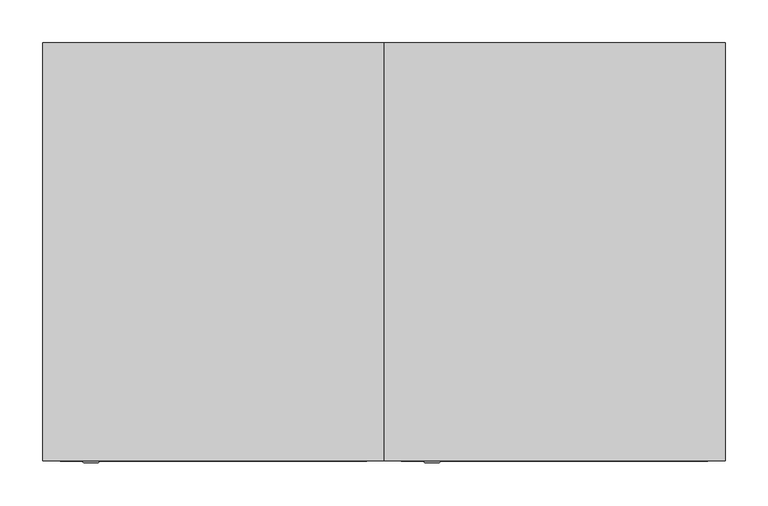
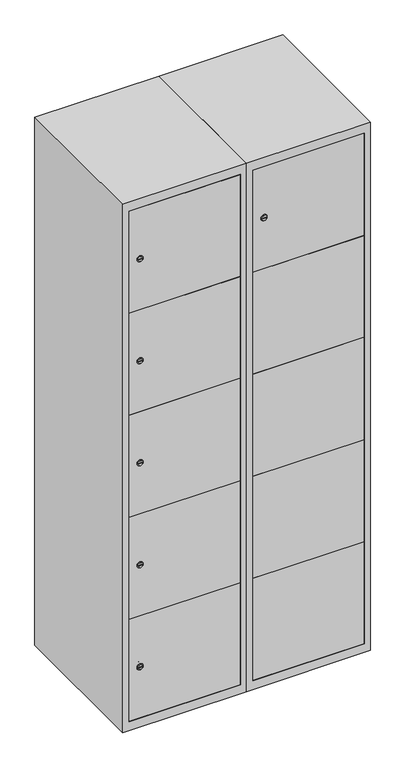
"""IFC4 building model written with IfcOpenShell, lengths in millimetres: furniture geometry."""

from ifc_helpers import new_model, si_unit, point, frame, frame_2d, origin, place, context, project, spatial, polyline, circle_curve, trimmed, segment, composite_curve, outline, extrude, faceted_brep, source, transform, mapped, element, save
from ifc_brep_helpers import plane_surface, revolved_surface, advanced_brep


def furniture_47b68984(model_context):
    return source(origin(), model_context, "Body", "SolidModel", [
        advanced_brep(
        [(264.9, -247.2, 1630.04), (247.9, -247.2, 1630.04), (251.4, -247.2, 1628.79), (251.4, -247.2, 1631.29), (261.4, -247.2, 1631.29), (261.4, -247.2, 1628.79), (266.9, -245.0, 1630.04), (245.9, -245.0, 1630.04), (251.4, -245.0, 1631.29), (251.4, -245.0, 1628.79), (261.4, -245.0, 1628.79), (261.4, -245.0, 1631.29)],
        [
            (0, 1, circle_curve(frame((256.4, -247.2, 1630.04), z_axis=(0.0, -1.0, 0.0), x_axis=(1.0, 0.0, 0.0)), 8.5)),
            (1, 0, circle_curve(frame((256.4, -247.2, 1630.04), z_axis=(0.0, -1.0, 0.0), x_axis=(-1.0, 0.0, 0.0)), 8.5)),
            (2, 3),
            (3, 4),
            (4, 5),
            (5, 2),
            (6, 7, circle_curve(frame((256.4, -245.0, 1630.04), z_axis=(0.0, 1.0, 0.0), x_axis=(-1.0, 0.0, 0.0)), 10.5)),
            (7, 6, circle_curve(frame((256.4, -245.0, 1630.04), z_axis=(0.0, 1.0, 0.0), x_axis=(1.0, 0.0, 0.0)), 10.5)),
            (8, 9),
            (9, 10),
            (10, 11),
            (11, 8),
            (0, 6),
            (7, 1),
            (8, 3),
            (2, 9),
            (11, 4),
            (10, 5),
        ],
        [
            plane_surface(frame((256.4, -247.2, 1630.04), z_axis=(0.0, -1.0, 0.0), x_axis=(0.0, 0.0, 1.0))),
            plane_surface(frame((256.4, -245.0, 1630.04), z_axis=(0.0, 1.0, 0.0), x_axis=(0.0, 0.0, 1.0))),
            revolved_surface(polyline([(264.9, -247.2, 1630.04), (266.9, -245.0, 1630.04)]), (256.4, -256.55, 1630.04), (0.0, 1.0, 0.0)),
            revolved_surface(polyline([(247.89999999999998, -247.2, 1630.04), (245.9, -245.0, 1630.04)]), (256.4, -256.55, 1630.04), (0.0, 1.0, 0.0)),
            plane_surface(frame((251.4, -245.0, 1628.79), z_axis=(1.0, 0.0, 0.0), x_axis=(0.0, -1.0, 0.0))),
            plane_surface(frame((251.4, -245.0, 1631.29), z_axis=(0.0, 0.0, -1.0), x_axis=(0.0, -1.0, 0.0))),
            plane_surface(frame((261.4, -245.0, 1631.29), z_axis=(-1.0, 0.0, 0.0), x_axis=(0.0, -1.0, 0.0))),
            plane_surface(frame((261.4, -245.0, 1628.79), z_axis=(0.0, 0.0, 1.0), x_axis=(0.0, -1.0, 0.0))),
        ],
        [
            (0, [[1, 2], [3, 4, 5, 6]]),
            (1, [[7, 8], [9, 10, 11, 12]]),
            (2, [[-1, 13, -8, 14]]),
            (3, [[-2, -14, -7, -13]]),
            (4, [[15, -3, 16, -9]]),
            (5, [[-15, -12, 17, -4]]),
            (6, [[-17, -11, 18, -5]]),
            (7, [[-16, -6, -18, -10]]),
        ],
    ),
        extrude(outline(polyline([(578.6, -227.0), (578.6, -245.0), (221.4, -245.0), (221.4, -227.0), (578.6, -227.0)])), frame((0.0, 0.0, 760.74), z_axis=(0.0, 0.0, 1.0), x_axis=(1.0, 0.0, 0.0)), (0.0, 0.0, 1.0), 348.52),
        extrude(outline(polyline([(578.6, -227.0), (578.6, -245.0), (221.4, -245.0), (221.4, -227.0), (578.6, -227.0)])), frame((0.0, 0.0, 413.22), z_axis=(0.0, 0.0, 1.0), x_axis=(1.0, 0.0, 0.0)), (0.0, 0.0, 1.0), 348.52),
        extrude(outline(polyline([(578.6, -227.0), (578.6, -245.0), (221.4, -245.0), (221.4, -227.0), (578.6, -227.0)])), frame((0.0, 0.0, 1108.26), z_axis=(0.0, 0.0, 1.0), x_axis=(1.0, 0.0, 0.0)), (0.0, 0.0, 1.0), 347.52),
        extrude(outline(polyline([(221.4, -245.0), (221.4, -227.0), (578.6, -227.0), (578.6, -245.0), (221.4, -245.0)])), frame((0.0, 0.0, 1456.78), z_axis=(0.0, 0.0, 1.0), x_axis=(1.0, 0.0, 0.0)), (0.0, 0.0, 1.0), 347.02),
        extrude(outline(polyline([(578.6, -227.0), (578.6, -245.0), (221.4, -245.0), (221.4, -227.0), (578.6, -227.0)])), frame((0.0, 0.0, 66.2), z_axis=(0.0, 0.0, 1.0), x_axis=(1.0, 0.0, 0.0)), (0.0, 0.0, 1.0), 348.02),
        extrude(outline(polyline([(579.6, 242.0), (579.6, -227.0), (220.4, -227.0), (220.4, 242.0), (579.6, 242.0)])), frame((0.0, 0.0, 1446.68), z_axis=(0.0, 0.0, 1.0), x_axis=(1.0, 0.0, 0.0)), (0.0, 0.0, 1.0), 20.4),
        extrude(outline(polyline([(579.6, 242.0), (579.6, -227.0), (220.4, -227.0), (220.4, 242.0), (579.6, 242.0)])), frame((0.0, 0.0, 1098.76), z_axis=(0.0, 0.0, 1.0), x_axis=(1.0, 0.0, 0.0)), (0.0, 0.0, 1.0), 20.4),
        extrude(outline(polyline([(579.6, 242.0), (579.6, -227.0), (220.4, -227.0), (220.4, 242.0), (579.6, 242.0)])), frame((0.0, 0.0, 750.84), z_axis=(0.0, 0.0, 1.0), x_axis=(1.0, 0.0, 0.0)), (0.0, 0.0, 1.0), 20.4),
        extrude(outline(polyline([(220.4, 242.0), (579.6, 242.0), (579.6, -227.0), (220.4, -227.0), (220.4, 242.0)])), frame((0.0, 0.0, 402.92), z_axis=(0.0, 0.0, 1.0), x_axis=(1.0, 0.0, 0.0)), (0.0, 0.0, 1.0), 20.4),
        faceted_brep([(600.0, -245.0, 35.0), (600.0, -245.0, 1835.0), (200.0, -245.0, 1835.0), (200.0, -245.0, 35.0), (579.6, -245.0, 1804.8), (579.6, -245.0, 65.2), (220.4, -245.0, 65.2), (220.4, -245.0, 1804.8), (600.0, 245.0, 35.0), (200.0, 245.0, 35.0), (600.0, 245.0, 1835.0), (200.0, 245.0, 1835.0), (579.6, 242.0, 1804.8), (579.6, 242.0, 65.2), (200.0, 245.0, 1804.8), (220.4, 242.0, 1804.8), (220.4, 242.0, 65.2)], [[[0, 1, 2, 3], [4, 5, 6, 7]], [[8, 0, 3, 9]], [[1, 0, 8, 10]], [[1, 10, 11, 2]], [[4, 12, 13, 5]], [[9, 3, 2, 11, 14]], [[10, 8, 9, 14, 11]], [[12, 15, 16, 13]], [[15, 7, 6, 16]], [[4, 7, 15, 12]], [[6, 5, 13, 16]]]),
        extrude(outline(composite_curve([segment(trimmed(circle_curve(frame_2d((239.96, -170.3989466)), 7.0), [point((246.96, -170.3989466))], [point((232.96, -170.3989466))], False, "CARTESIAN"), True, "CONTINUOUS"), segment(polyline([(232.96, -170.3989466), (232.96, -142.3989466)]), True, "CONTINUOUS"), segment(trimmed(circle_curve(frame_2d((239.96, -142.3989466)), 7.0), [point((232.96, -142.3989466))], [point((246.96, -142.3989466))], False, "CARTESIAN"), True, "CONTINUOUS"), segment(polyline([(246.96, -142.3989466), (246.96, -170.3989466)]), True, "CONTINUOUS")], self_intersect=False)), frame((0.0, -227.0, 0.0), z_axis=(0.0, 1.0, 0.0), x_axis=(0.0, 0.0, 1.0)), (0.0, 0.0, 1.0), 2.0),
        advanced_brep(
        [(-135.1, -247.2, 239.96), (-152.1, -247.2, 239.96), (-148.6, -247.2, 238.71), (-148.6, -247.2, 241.21), (-138.6, -247.2, 241.21), (-138.6, -247.2, 238.71), (-133.1, -245.0, 239.96), (-154.1, -245.0, 239.96), (-148.6, -245.0, 241.21), (-148.6, -245.0, 238.71), (-138.6, -245.0, 238.71), (-138.6, -245.0, 241.21)],
        [
            (0, 1, circle_curve(frame((-143.6, -247.2, 239.96), z_axis=(0.0, -1.0, 0.0), x_axis=(1.0, 0.0, 0.0)), 8.5)),
            (1, 0, circle_curve(frame((-143.6, -247.2, 239.96), z_axis=(0.0, -1.0, 0.0), x_axis=(-1.0, 0.0, 0.0)), 8.5)),
            (2, 3),
            (3, 4),
            (4, 5),
            (5, 2),
            (6, 7, circle_curve(frame((-143.6, -245.0, 239.96), z_axis=(0.0, 1.0, 0.0), x_axis=(-1.0, 0.0, 0.0)), 10.5)),
            (7, 6, circle_curve(frame((-143.6, -245.0, 239.96), z_axis=(0.0, 1.0, 0.0), x_axis=(1.0, 0.0, 0.0)), 10.5)),
            (8, 9),
            (9, 10),
            (10, 11),
            (11, 8),
            (0, 6),
            (7, 1),
            (8, 3),
            (2, 9),
            (11, 4),
            (10, 5),
        ],
        [
            plane_surface(frame((-143.6, -247.2, 239.96), z_axis=(0.0, -1.0, 0.0), x_axis=(0.0, 0.0, 1.0))),
            plane_surface(frame((-143.6, -245.0, 239.96), z_axis=(0.0, 1.0, 0.0), x_axis=(0.0, 0.0, 1.0))),
            revolved_surface(polyline([(-135.1, -247.2, 239.96), (-133.1, -245.0, 239.96)]), (-143.6, -256.55, 239.96), (0.0, 1.0, 0.0)),
            revolved_surface(polyline([(-152.1, -247.2, 239.96), (-154.1, -245.0, 239.96)]), (-143.6, -256.55, 239.96), (0.0, 1.0, 0.0)),
            plane_surface(frame((-148.6, -245.0, 238.71), z_axis=(1.0, 0.0, 0.0), x_axis=(0.0, -1.0, 0.0))),
            plane_surface(frame((-148.6, -245.0, 241.21), z_axis=(0.0, 0.0, -1.0), x_axis=(0.0, -1.0, 0.0))),
            plane_surface(frame((-138.6, -245.0, 241.21), z_axis=(-1.0, 0.0, 0.0), x_axis=(0.0, -1.0, 0.0))),
            plane_surface(frame((-138.6, -245.0, 238.71), z_axis=(0.0, 0.0, 1.0), x_axis=(0.0, -1.0, 0.0))),
        ],
        [
            (0, [[1, 2], [3, 4, 5, 6]]),
            (1, [[7, 8], [9, 10, 11, 12]]),
            (2, [[-1, 13, -8, 14]]),
            (3, [[-2, -14, -7, -13]]),
            (4, [[15, -3, 16, -9]]),
            (5, [[-15, -12, 17, -4]]),
            (6, [[-17, -11, 18, -5]]),
            (7, [[-16, -6, -18, -10]]),
        ],
    ),
        extrude(outline(composite_curve([segment(trimmed(circle_curve(frame_2d((587.48, -170.3989466)), 7.0), [point((594.48, -170.3989466))], [point((580.48, -170.3989466))], False, "CARTESIAN"), True, "CONTINUOUS"), segment(polyline([(580.48, -170.3989466), (580.48, -142.3989466)]), True, "CONTINUOUS"), segment(trimmed(circle_curve(frame_2d((587.48, -142.3989466)), 7.0), [point((580.48, -142.3989466))], [point((594.48, -142.3989466))], False, "CARTESIAN"), True, "CONTINUOUS"), segment(polyline([(594.48, -142.3989466), (594.48, -170.3989466)]), True, "CONTINUOUS")], self_intersect=False)), frame((0.0, -227.0, 0.0), z_axis=(0.0, 1.0, 0.0), x_axis=(0.0, 0.0, 1.0)), (0.0, 0.0, 1.0), 2.0),
        advanced_brep(
        [(-135.1, -247.2, 587.48), (-152.1, -247.2, 587.48), (-148.6, -247.2, 586.23), (-148.6, -247.2, 588.73), (-138.6, -247.2, 588.73), (-138.6, -247.2, 586.23), (-133.1, -245.0, 587.48), (-154.1, -245.0, 587.48), (-148.6, -245.0, 588.73), (-148.6, -245.0, 586.23), (-138.6, -245.0, 586.23), (-138.6, -245.0, 588.73)],
        [
            (0, 1, circle_curve(frame((-143.6, -247.2, 587.48), z_axis=(0.0, -1.0, 0.0), x_axis=(1.0, 0.0, 0.0)), 8.5)),
            (1, 0, circle_curve(frame((-143.6, -247.2, 587.48), z_axis=(0.0, -1.0, 0.0), x_axis=(-1.0, 0.0, 0.0)), 8.5)),
            (2, 3),
            (3, 4),
            (4, 5),
            (5, 2),
            (6, 7, circle_curve(frame((-143.6, -245.0, 587.48), z_axis=(0.0, 1.0, 0.0), x_axis=(-1.0, 0.0, 0.0)), 10.5)),
            (7, 6, circle_curve(frame((-143.6, -245.0, 587.48), z_axis=(0.0, 1.0, 0.0), x_axis=(1.0, 0.0, 0.0)), 10.5)),
            (8, 9),
            (9, 10),
            (10, 11),
            (11, 8),
            (0, 6),
            (7, 1),
            (8, 3),
            (2, 9),
            (11, 4),
            (10, 5),
        ],
        [
            plane_surface(frame((-143.6, -247.2, 587.48), z_axis=(0.0, -1.0, 0.0), x_axis=(0.0, 0.0, 1.0))),
            plane_surface(frame((-143.6, -245.0, 587.48), z_axis=(0.0, 1.0, 0.0), x_axis=(0.0, 0.0, 1.0))),
            revolved_surface(polyline([(-135.1, -247.2, 587.48), (-133.1, -245.0, 587.48)]), (-143.6, -256.55, 587.48), (0.0, 1.0, 0.0)),
            revolved_surface(polyline([(-152.1, -247.2, 587.48), (-154.1, -245.0, 587.48)]), (-143.6, -256.55, 587.48), (0.0, 1.0, 0.0)),
            plane_surface(frame((-148.6, -245.0, 586.23), z_axis=(1.0, 0.0, 0.0), x_axis=(0.0, -1.0, 0.0))),
            plane_surface(frame((-148.6, -245.0, 588.73), z_axis=(0.0, 0.0, -1.0), x_axis=(0.0, -1.0, 0.0))),
            plane_surface(frame((-138.6, -245.0, 588.73), z_axis=(-1.0, 0.0, 0.0), x_axis=(0.0, -1.0, 0.0))),
            plane_surface(frame((-138.6, -245.0, 586.23), z_axis=(0.0, 0.0, 1.0), x_axis=(0.0, -1.0, 0.0))),
        ],
        [
            (0, [[1, 2], [3, 4, 5, 6]]),
            (1, [[7, 8], [9, 10, 11, 12]]),
            (2, [[-1, 13, -8, 14]]),
            (3, [[-2, -14, -7, -13]]),
            (4, [[15, -3, 16, -9]]),
            (5, [[-15, -12, 17, -4]]),
            (6, [[-17, -11, 18, -5]]),
            (7, [[-16, -6, -18, -10]]),
        ],
    ),
        extrude(outline(composite_curve([segment(trimmed(circle_curve(frame_2d((935.0, -170.3989466)), 7.0), [point((942.0, -170.3989466))], [point((928.0, -170.3989466))], False, "CARTESIAN"), True, "CONTINUOUS"), segment(polyline([(928.0, -170.3989466), (928.0, -142.3989466)]), True, "CONTINUOUS"), segment(trimmed(circle_curve(frame_2d((935.0, -142.3989466)), 7.0), [point((928.0, -142.3989466))], [point((942.0, -142.3989466))], False, "CARTESIAN"), True, "CONTINUOUS"), segment(polyline([(942.0, -142.3989466), (942.0, -170.3989466)]), True, "CONTINUOUS")], self_intersect=False)), frame((0.0, -227.0, 0.0), z_axis=(0.0, 1.0, 0.0), x_axis=(0.0, 0.0, 1.0)), (0.0, 0.0, 1.0), 2.0),
        advanced_brep(
        [(-135.1, -247.2, 935.0), (-152.1, -247.2, 935.0), (-148.6, -247.2, 933.75), (-148.6, -247.2, 936.25), (-138.6, -247.2, 936.25), (-138.6, -247.2, 933.75), (-133.1, -245.0, 935.0), (-154.1, -245.0, 935.0), (-148.6, -245.0, 936.25), (-148.6, -245.0, 933.75), (-138.6, -245.0, 933.75), (-138.6, -245.0, 936.25)],
        [
            (0, 1, circle_curve(frame((-143.6, -247.2, 935.0), z_axis=(0.0, -1.0, 0.0), x_axis=(1.0, 0.0, 0.0)), 8.5)),
            (1, 0, circle_curve(frame((-143.6, -247.2, 935.0), z_axis=(0.0, -1.0, 0.0), x_axis=(-1.0, 0.0, 0.0)), 8.5)),
            (2, 3),
            (3, 4),
            (4, 5),
            (5, 2),
            (6, 7, circle_curve(frame((-143.6, -245.0, 935.0), z_axis=(0.0, 1.0, 0.0), x_axis=(-1.0, 0.0, 0.0)), 10.5)),
            (7, 6, circle_curve(frame((-143.6, -245.0, 935.0), z_axis=(0.0, 1.0, 0.0), x_axis=(1.0, 0.0, 0.0)), 10.5)),
            (8, 9),
            (9, 10),
            (10, 11),
            (11, 8),
            (0, 6),
            (7, 1),
            (8, 3),
            (2, 9),
            (11, 4),
            (10, 5),
        ],
        [
            plane_surface(frame((-143.6, -247.2, 935.0), z_axis=(0.0, -1.0, 0.0), x_axis=(0.0, 0.0, 1.0))),
            plane_surface(frame((-143.6, -245.0, 935.0), z_axis=(0.0, 1.0, 0.0), x_axis=(0.0, 0.0, 1.0))),
            revolved_surface(polyline([(-135.1, -247.2, 935.0), (-133.1, -245.0, 935.0)]), (-143.6, -256.55, 935.0), (0.0, 1.0, 0.0)),
            revolved_surface(polyline([(-152.1, -247.2, 935.0), (-154.1, -245.0, 935.0)]), (-143.6, -256.55, 935.0), (0.0, 1.0, 0.0)),
            plane_surface(frame((-148.6, -245.0, 933.75), z_axis=(1.0, 0.0, 0.0), x_axis=(0.0, -1.0, 0.0))),
            plane_surface(frame((-148.6, -245.0, 936.25), z_axis=(0.0, 0.0, -1.0), x_axis=(0.0, -1.0, 0.0))),
            plane_surface(frame((-138.6, -245.0, 936.25), z_axis=(-1.0, 0.0, 0.0), x_axis=(0.0, -1.0, 0.0))),
            plane_surface(frame((-138.6, -245.0, 933.75), z_axis=(0.0, 0.0, 1.0), x_axis=(0.0, -1.0, 0.0))),
        ],
        [
            (0, [[1, 2], [3, 4, 5, 6]]),
            (1, [[7, 8], [9, 10, 11, 12]]),
            (2, [[-1, 13, -8, 14]]),
            (3, [[-2, -14, -7, -13]]),
            (4, [[15, -3, 16, -9]]),
            (5, [[-15, -12, 17, -4]]),
            (6, [[-17, -11, 18, -5]]),
            (7, [[-16, -6, -18, -10]]),
        ],
    ),
        extrude(outline(composite_curve([segment(trimmed(circle_curve(frame_2d((1282.52, -170.3989466)), 7.0), [point((1289.52, -170.3989466))], [point((1275.52, -170.3989466))], False, "CARTESIAN"), True, "CONTINUOUS"), segment(polyline([(1275.52, -170.3989466), (1275.52, -142.3989466)]), True, "CONTINUOUS"), segment(trimmed(circle_curve(frame_2d((1282.52, -142.3989466)), 7.0), [point((1275.52, -142.3989466))], [point((1289.52, -142.3989466))], False, "CARTESIAN"), True, "CONTINUOUS"), segment(polyline([(1289.52, -142.3989466), (1289.52, -170.3989466)]), True, "CONTINUOUS")], self_intersect=False)), frame((0.0, -227.0, 0.0), z_axis=(0.0, 1.0, 0.0), x_axis=(0.0, 0.0, 1.0)), (0.0, 0.0, 1.0), 2.0),
        advanced_brep(
        [(-135.1, -247.2, 1282.52), (-152.1, -247.2, 1282.52), (-148.6, -247.2, 1281.27), (-148.6, -247.2, 1283.77), (-138.6, -247.2, 1283.77), (-138.6, -247.2, 1281.27), (-133.1, -245.0, 1282.52), (-154.1, -245.0, 1282.52), (-148.6, -245.0, 1283.77), (-148.6, -245.0, 1281.27), (-138.6, -245.0, 1281.27), (-138.6, -245.0, 1283.77)],
        [
            (0, 1, circle_curve(frame((-143.6, -247.2, 1282.52), z_axis=(0.0, -1.0, 0.0), x_axis=(1.0, 0.0, 0.0)), 8.5)),
            (1, 0, circle_curve(frame((-143.6, -247.2, 1282.52), z_axis=(0.0, -1.0, 0.0), x_axis=(-1.0, 0.0, 0.0)), 8.5)),
            (2, 3),
            (3, 4),
            (4, 5),
            (5, 2),
            (6, 7, circle_curve(frame((-143.6, -245.0, 1282.52), z_axis=(0.0, 1.0, 0.0), x_axis=(-1.0, 0.0, 0.0)), 10.5)),
            (7, 6, circle_curve(frame((-143.6, -245.0, 1282.52), z_axis=(0.0, 1.0, 0.0), x_axis=(1.0, 0.0, 0.0)), 10.5)),
            (8, 9),
            (9, 10),
            (10, 11),
            (11, 8),
            (0, 6),
            (7, 1),
            (8, 3),
            (2, 9),
            (11, 4),
            (10, 5),
        ],
        [
            plane_surface(frame((-143.6, -247.2, 1282.52), z_axis=(0.0, -1.0, 0.0), x_axis=(0.0, 0.0, 1.0))),
            plane_surface(frame((-143.6, -245.0, 1282.52), z_axis=(0.0, 1.0, 0.0), x_axis=(0.0, 0.0, 1.0))),
            revolved_surface(polyline([(-135.1, -247.2, 1282.52), (-133.1, -245.0, 1282.52)]), (-143.6, -256.55, 1282.52), (0.0, 1.0, 0.0)),
            revolved_surface(polyline([(-152.1, -247.2, 1282.52), (-154.1, -245.0, 1282.52)]), (-143.6, -256.55, 1282.52), (0.0, 1.0, 0.0)),
            plane_surface(frame((-148.6, -245.0, 1281.27), z_axis=(1.0, 0.0, 0.0), x_axis=(0.0, -1.0, 0.0))),
            plane_surface(frame((-148.6, -245.0, 1283.77), z_axis=(0.0, 0.0, -1.0), x_axis=(0.0, -1.0, 0.0))),
            plane_surface(frame((-138.6, -245.0, 1283.77), z_axis=(-1.0, 0.0, 0.0), x_axis=(0.0, -1.0, 0.0))),
            plane_surface(frame((-138.6, -245.0, 1281.27), z_axis=(0.0, 0.0, 1.0), x_axis=(0.0, -1.0, 0.0))),
        ],
        [
            (0, [[1, 2], [3, 4, 5, 6]]),
            (1, [[7, 8], [9, 10, 11, 12]]),
            (2, [[-1, 13, -8, 14]]),
            (3, [[-2, -14, -7, -13]]),
            (4, [[15, -3, 16, -9]]),
            (5, [[-15, -12, 17, -4]]),
            (6, [[-17, -11, 18, -5]]),
            (7, [[-16, -6, -18, -10]]),
        ],
    ),
        extrude(outline(composite_curve([segment(trimmed(circle_curve(frame_2d((1630.04, -170.3989466)), 7.0), [point((1637.04, -170.3989466))], [point((1623.04, -170.3989466))], False, "CARTESIAN"), True, "CONTINUOUS"), segment(polyline([(1623.04, -170.3989466), (1623.04, -142.3989466)]), True, "CONTINUOUS"), segment(trimmed(circle_curve(frame_2d((1630.04, -142.3989466)), 7.0), [point((1623.04, -142.3989466))], [point((1637.04, -142.3989466))], False, "CARTESIAN"), True, "CONTINUOUS"), segment(polyline([(1637.04, -142.3989466), (1637.04, -170.3989466)]), True, "CONTINUOUS")], self_intersect=False)), frame((0.0, -227.0, 0.0), z_axis=(0.0, 1.0, 0.0), x_axis=(0.0, 0.0, 1.0)), (0.0, 0.0, 1.0), 2.0),
        advanced_brep(
        [(-135.1, -247.2, 1630.04), (-152.1, -247.2, 1630.04), (-148.6, -247.2, 1628.79), (-148.6, -247.2, 1631.29), (-138.6, -247.2, 1631.29), (-138.6, -247.2, 1628.79), (-133.1, -245.0, 1630.04), (-154.1, -245.0, 1630.04), (-148.6, -245.0, 1631.29), (-148.6, -245.0, 1628.79), (-138.6, -245.0, 1628.79), (-138.6, -245.0, 1631.29)],
        [
            (0, 1, circle_curve(frame((-143.6, -247.2, 1630.04), z_axis=(0.0, -1.0, 0.0), x_axis=(1.0, 0.0, 0.0)), 8.5)),
            (1, 0, circle_curve(frame((-143.6, -247.2, 1630.04), z_axis=(0.0, -1.0, 0.0), x_axis=(-1.0, 0.0, 0.0)), 8.5)),
            (2, 3),
            (3, 4),
            (4, 5),
            (5, 2),
            (6, 7, circle_curve(frame((-143.6, -245.0, 1630.04), z_axis=(0.0, 1.0, 0.0), x_axis=(-1.0, 0.0, 0.0)), 10.5)),
            (7, 6, circle_curve(frame((-143.6, -245.0, 1630.04), z_axis=(0.0, 1.0, 0.0), x_axis=(1.0, 0.0, 0.0)), 10.5)),
            (8, 9),
            (9, 10),
            (10, 11),
            (11, 8),
            (0, 6),
            (7, 1),
            (8, 3),
            (2, 9),
            (11, 4),
            (10, 5),
        ],
        [
            plane_surface(frame((-143.6, -247.2, 1630.04), z_axis=(0.0, -1.0, 0.0), x_axis=(0.0, 0.0, 1.0))),
            plane_surface(frame((-143.6, -245.0, 1630.04), z_axis=(0.0, 1.0, 0.0), x_axis=(0.0, 0.0, 1.0))),
            revolved_surface(polyline([(-135.1, -247.2, 1630.04), (-133.1, -245.0, 1630.04)]), (-143.6, -256.55, 1630.04), (0.0, 1.0, 0.0)),
            revolved_surface(polyline([(-152.1, -247.2, 1630.04), (-154.1, -245.0, 1630.04)]), (-143.6, -256.55, 1630.04), (0.0, 1.0, 0.0)),
            plane_surface(frame((-148.6, -245.0, 1628.79), z_axis=(1.0, 0.0, 0.0), x_axis=(0.0, -1.0, 0.0))),
            plane_surface(frame((-148.6, -245.0, 1631.29), z_axis=(0.0, 0.0, -1.0), x_axis=(0.0, -1.0, 0.0))),
            plane_surface(frame((-138.6, -245.0, 1631.29), z_axis=(-1.0, 0.0, 0.0), x_axis=(0.0, -1.0, 0.0))),
            plane_surface(frame((-138.6, -245.0, 1628.79), z_axis=(0.0, 0.0, 1.0), x_axis=(0.0, -1.0, 0.0))),
        ],
        [
            (0, [[1, 2], [3, 4, 5, 6]]),
            (1, [[7, 8], [9, 10, 11, 12]]),
            (2, [[-1, 13, -8, 14]]),
            (3, [[-2, -14, -7, -13]]),
            (4, [[15, -3, 16, -9]]),
            (5, [[-15, -12, 17, -4]]),
            (6, [[-17, -11, 18, -5]]),
            (7, [[-16, -6, -18, -10]]),
        ],
    ),
        extrude(outline(polyline([(178.6, -227.0), (178.6, -245.0), (-178.6, -245.0), (-178.6, -227.0), (178.6, -227.0)])), frame((0.0, 0.0, 760.74), z_axis=(0.0, 0.0, 1.0), x_axis=(1.0, 0.0, 0.0)), (0.0, 0.0, 1.0), 348.52),
        extrude(outline(polyline([(178.6, -227.0), (178.6, -245.0), (-178.6, -245.0), (-178.6, -227.0), (178.6, -227.0)])), frame((0.0, 0.0, 413.22), z_axis=(0.0, 0.0, 1.0), x_axis=(1.0, 0.0, 0.0)), (0.0, 0.0, 1.0), 348.52),
        extrude(outline(polyline([(178.6, -227.0), (178.6, -245.0), (-178.6, -245.0), (-178.6, -227.0), (178.6, -227.0)])), frame((0.0, 0.0, 1108.26), z_axis=(0.0, 0.0, 1.0), x_axis=(1.0, 0.0, 0.0)), (0.0, 0.0, 1.0), 347.52),
        extrude(outline(polyline([(-178.6, -245.0), (-178.6, -227.0), (178.6, -227.0), (178.6, -245.0), (-178.6, -245.0)])), frame((0.0, 0.0, 1456.78), z_axis=(0.0, 0.0, 1.0), x_axis=(1.0, 0.0, 0.0)), (0.0, 0.0, 1.0), 347.02),
        extrude(outline(polyline([(178.6, -227.0), (178.6, -245.0), (-178.6, -245.0), (-178.6, -227.0), (178.6, -227.0)])), frame((0.0, 0.0, 66.2), z_axis=(0.0, 0.0, 1.0), x_axis=(1.0, 0.0, 0.0)), (0.0, 0.0, 1.0), 348.02),
        extrude(outline(polyline([(179.6, 242.0), (179.6, -227.0), (-179.6, -227.0), (-179.6, 242.0), (179.6, 242.0)])), frame((0.0, 0.0, 1446.68), z_axis=(0.0, 0.0, 1.0), x_axis=(1.0, 0.0, 0.0)), (0.0, 0.0, 1.0), 20.4),
        extrude(outline(polyline([(179.6, 242.0), (179.6, -227.0), (-179.6, -227.0), (-179.6, 242.0), (179.6, 242.0)])), frame((0.0, 0.0, 1098.76), z_axis=(0.0, 0.0, 1.0), x_axis=(1.0, 0.0, 0.0)), (0.0, 0.0, 1.0), 20.4),
        extrude(outline(polyline([(179.6, 242.0), (179.6, -227.0), (-179.6, -227.0), (-179.6, 242.0), (179.6, 242.0)])), frame((0.0, 0.0, 750.84), z_axis=(0.0, 0.0, 1.0), x_axis=(1.0, 0.0, 0.0)), (0.0, 0.0, 1.0), 20.4),
        extrude(outline(polyline([(-179.6, 242.0), (179.6, 242.0), (179.6, -227.0), (-179.6, -227.0), (-179.6, 242.0)])), frame((0.0, 0.0, 402.92), z_axis=(0.0, 0.0, 1.0), x_axis=(1.0, 0.0, 0.0)), (0.0, 0.0, 1.0), 20.4),
        faceted_brep([(200.0, -245.0, 35.0), (200.0, -245.0, 1835.0), (-200.0, -245.0, 1835.0), (-200.0, -245.0, 35.0), (179.6, -245.0, 1804.8), (179.6, -245.0, 65.2), (-179.6, -245.0, 65.2), (-179.6, -245.0, 1804.8), (200.0, 245.0, 35.0), (-200.0, 245.0, 35.0), (200.0, 245.0, 1835.0), (-200.0, 245.0, 1835.0), (179.6, 242.0, 1804.8), (179.6, 242.0, 65.2), (-200.0, 245.0, 1804.8), (-179.6, 242.0, 1804.8), (-179.6, 242.0, 65.2)], [[[0, 1, 2, 3], [4, 5, 6, 7]], [[8, 0, 3, 9]], [[1, 0, 8, 10]], [[1, 10, 11, 2]], [[4, 12, 13, 5]], [[9, 3, 2, 11, 14]], [[10, 8, 9, 14, 11]], [[12, 15, 16, 13]], [[15, 7, 6, 16]], [[4, 7, 15, 12]], [[6, 5, 13, 16]]]),
    ])


if __name__ == "__main__":
    model = new_model("IFC4")
    model_context = context("Model", 3, world=origin())
    ifc_project = project(units=[si_unit("LENGTHUNIT", "METRE", prefix="MILLI")], contexts=[model_context])
    site = spatial("IfcSite", under=ifc_project)
    building = spatial("IfcBuilding", under=site)
    placement = place(None, origin())
    furniture_shape = furniture_47b68984(model_context)
    element("IfcFurniture", 1, at=placement, inside=building, context=model_context, shape_type="MappedRepresentation", body=[
        mapped(furniture_shape, transform((0.0, 0.0, 0.0), x_axis=(1.0, 0.0, 0.0), y_axis=(0.0, 1.0, 0.0), z_axis=(0.0, 0.0, 1.0))),
    ])
    save(model, "model.ifc")
